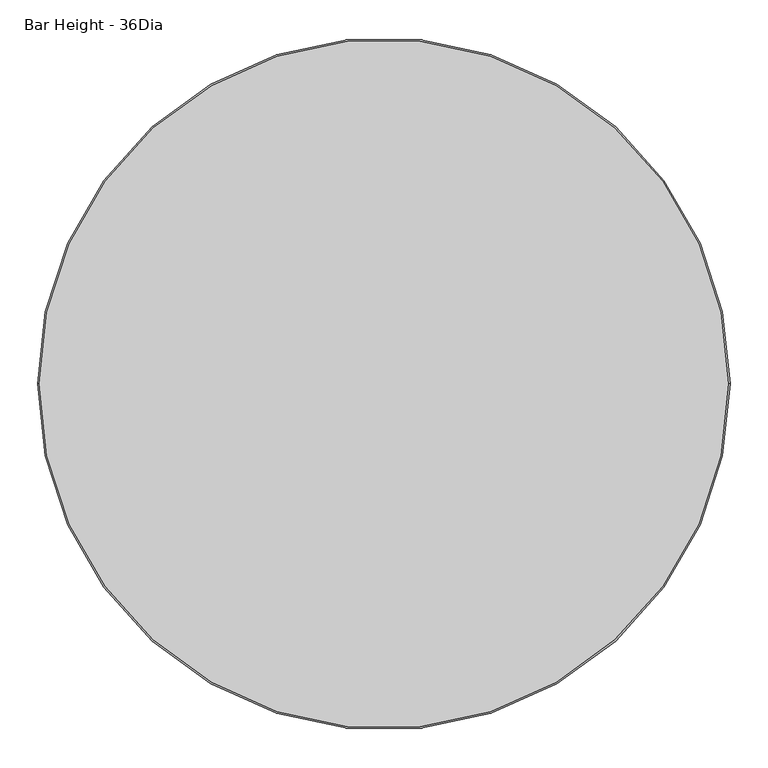
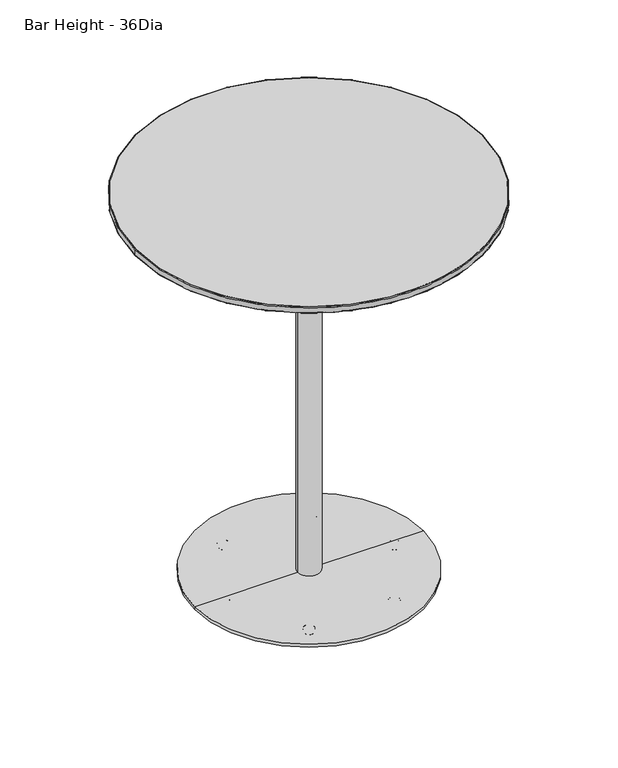
"""IFC4 building model written with IfcOpenShell, lengths in millimetres: furniture geometry, Bar Height - 36Dia."""

from ifc_helpers import new_model, si_unit, point, frame, origin, origin_with_axes, origin_2d, place, context, project, spatial, polyline, circle_curve, ellipse_curve, trimmed, segment, composite_curve, outline, extrude, source, transform, mapped, element, save
from ifc_brep_helpers import plane_surface, cylinder_surface, revolved_surface, advanced_brep


def bar_height_36dia_994a4e56(model_context):
    return source(origin(), model_context, "Body", "SolidModel", [
        advanced_brep(
        [(112.3723043, -195.0325848, 0.0), (119.7149467, -202.3752273, 0.0), (105.0296619, -187.6899424, 0.0), (120.2614489, -202.9217294, 0.5718943), (104.4831597, -187.1434403, 0.5718943), (122.560548, -205.2208285, 11.2068005), (102.1840606, -184.8443412, 11.2068005), (122.1455272, -204.8058077, 11.9999882), (102.5990814, -185.259362, 11.9999882), (112.3723043, -195.0325848, 11.9999882)],
        [
            (0, 1),
            (1, 2, circle_curve(frame((112.3723043, -195.0325848, 0.0), z_axis=(0.0, 0.0, -1.0), x_axis=(0.7071067811865602, -0.7071067811865349, 0.0)), 10.3840645)),
            (2, 0),
            (2, 1, circle_curve(frame((112.3723043, -195.0325848, 0.0), z_axis=(0.0, 0.0, -1.0), x_axis=(0.7071067811865602, -0.7071067811865349, 0.0)), 10.3840645)),
            (1, 3, circle_curve(frame((119.7149467, -202.3752273, 0.8081846), z_axis=(-0.7071067811865349, -0.7071067811865602, 0.0), x_axis=(0.7071067811865602, -0.7071067811865349, 0.0)), 0.8081846)),
            (3, 4, circle_curve(frame((112.3723043, -195.0325848, 0.5718943), z_axis=(0.0, 0.0, -1.0), x_axis=(0.7071067811865602, -0.7071067811865349, 0.0)), 11.1569353)),
            (4, 2, circle_curve(frame((105.0296619, -187.6899424, 0.8081846), z_axis=(-0.7071067811865326, -0.7071067811865626, 0.0), x_axis=(-0.7071067811865626, 0.7071067811865326, 0.0)), 0.8081846)),
            (4, 3, circle_curve(frame((112.3723043, -195.0325848, 0.5718943), z_axis=(0.0, 0.0, -1.0), x_axis=(0.7071067811865602, -0.7071067811865349, 0.0)), 11.1569353)),
            (3, 5),
            (5, 6, circle_curve(frame((112.3723043, -195.0325848, 11.2068005), z_axis=(0.0, 0.0, -1.0), x_axis=(0.7071067811865602, -0.7071067811865349, 0.0)), 14.4083524)),
            (6, 4),
            (6, 5, circle_curve(frame((112.3723043, -195.0325848, 11.2068005), z_axis=(0.0, 0.0, -1.0), x_axis=(0.7071067811865602, -0.7071067811865349, 0.0)), 14.4083524)),
            (5, 7, circle_curve(frame((122.1455272, -204.8058077, 11.3862424), z_axis=(-0.7071067811865349, -0.7071067811865602, 0.0), x_axis=(0.7071067811865602, -0.7071067811865349, 0.0)), 0.6137458)),
            (7, 8, circle_curve(frame((112.3723043, -195.0325848, 11.9999882), z_axis=(0.0, 0.0, -1.0), x_axis=(0.7071067811865602, -0.7071067811865349, 0.0)), 13.8214243)),
            (8, 6, circle_curve(frame((102.5990814, -185.259362, 11.3862424), z_axis=(-0.7071067811865326, -0.7071067811865626, 0.0), x_axis=(-0.7071067811865626, 0.7071067811865326, 0.0)), 0.6137458)),
            (8, 7, circle_curve(frame((112.3723043, -195.0325848, 11.9999882), z_axis=(0.0, 0.0, -1.0), x_axis=(0.7071067811865602, -0.7071067811865349, 0.0)), 13.8214243)),
            (7, 9),
            (9, 8),
        ],
        [
            plane_surface(frame((112.3723043, -195.0325848, 0.0), z_axis=(0.0, 0.0, -1.0000000000000002), x_axis=(0.7071067811865602, -0.7071067811865349, 0.0))),
            revolved_surface(trimmed(ellipse_curve(frame((119.7149467, -202.3752273, 0.8081846), z_axis=(0.7071067811865349, 0.7071067811865602, 0.0), x_axis=(0.7071067811865602, -0.7071067811865349, 0.0)), 0.8081846, 0.8081846), [point((120.2614489, -202.9217294, 0.5718943))], [point((119.7149467, -202.3752273, 0.0))], True, "CARTESIAN"), (112.3723043, -195.0325848, 12.2086845), (0.0, 0.0, -1.0)),
            revolved_surface(polyline([(122.560548, -205.2208285, 11.2068005), (120.2614489, -202.9217294, 0.5718943)]), (112.3723043, -195.0325848, 12.2086845), (0.0, 0.0, -1.0)),
            revolved_surface(trimmed(ellipse_curve(frame((122.1455272, -204.8058077, 11.3862424), z_axis=(0.7071067811865349, 0.7071067811865602, 0.0), x_axis=(0.7071067811865602, -0.7071067811865349, 0.0)), 0.6137458, 0.6137458), [point((122.1455272, -204.8058077, 11.9999882))], [point((122.560548, -205.2208285, 11.2068005))], True, "CARTESIAN"), (112.3723043, -195.0325848, 12.2086845), (0.0, 0.0, -1.0)),
            plane_surface(frame((112.3723043, -195.0325848, 11.9999882), z_axis=(0.0, 0.0, 1.0000000000000002), x_axis=(0.7071067811865602, -0.7071067811865349, 0.0))),
        ],
        [
            (0, [[1, 2, 3]]),
            (0, [[-3, 4, -1]]),
            (1, [[-2, 5, 6, 7]]),
            (1, [[-4, -7, 8, -5]]),
            (2, [[-6, 9, 10, 11]]),
            (2, [[-8, -11, 12, -9]]),
            (3, [[-10, 13, 14, 15]]),
            (3, [[-12, -15, 16, -13]]),
            (4, [[-14, 17, 18]]),
            (4, [[-16, -18, -17]]),
        ],
    ),
        advanced_brep(
        [(-104.9597041, -187.5851027, 0.0), (-119.6449889, -202.2703876, 0.0), (-112.3023465, -194.9277451, 0.0), (-104.4132019, -187.0386006, 0.5718943), (-120.1914911, -202.8168897, 0.5718943), (-102.1141028, -184.7395015, 11.2068005), (-122.4905902, -205.1159888, 11.2068005), (-102.5291236, -185.1545223, 11.9999882), (-122.0755694, -204.700968, 11.9999882), (-112.3023465, -194.9277451, 11.9999882)],
        [
            (0, 1, circle_curve(frame((-112.3023465, -194.9277451, 0.0), z_axis=(0.0, 0.0, -1.0), x_axis=(-0.7071067811865602, -0.7071067811865349, 0.0)), 10.3840645)),
            (1, 2),
            (2, 0),
            (1, 0, circle_curve(frame((-112.3023465, -194.9277451, 0.0), z_axis=(0.0, 0.0, -1.0), x_axis=(-0.7071067811865602, -0.7071067811865349, 0.0)), 10.3840645)),
            (3, 4, circle_curve(frame((-112.3023465, -194.9277451, 0.5718943), z_axis=(0.0, 0.0, -1.0), x_axis=(-0.7071067811865602, -0.7071067811865349, 0.0)), 11.1569353)),
            (4, 1, circle_curve(frame((-119.6449889, -202.2703876, 0.8081846), z_axis=(0.7071067811865349, -0.7071067811865602, 0.0), x_axis=(-0.7071067811865602, -0.7071067811865349, 0.0)), 0.8081846)),
            (0, 3, circle_curve(frame((-104.9597041, -187.5851027, 0.8081846), z_axis=(0.7071067811865326, -0.7071067811865626, 0.0), x_axis=(0.7071067811865626, 0.7071067811865326, 0.0)), 0.8081846)),
            (4, 3, circle_curve(frame((-112.3023465, -194.9277451, 0.5718943), z_axis=(0.0, 0.0, -1.0), x_axis=(-0.7071067811865602, -0.7071067811865349, 0.0)), 11.1569353)),
            (5, 6, circle_curve(frame((-112.3023465, -194.9277451, 11.2068005), z_axis=(0.0, 0.0, -1.0), x_axis=(-0.7071067811865602, -0.7071067811865349, 0.0)), 14.4083524)),
            (6, 4),
            (3, 5),
            (6, 5, circle_curve(frame((-112.3023465, -194.9277451, 11.2068005), z_axis=(0.0, 0.0, -1.0), x_axis=(-0.7071067811865602, -0.7071067811865349, 0.0)), 14.4083524)),
            (7, 8, circle_curve(frame((-112.3023465, -194.9277451, 11.9999882), z_axis=(0.0, 0.0, -1.0), x_axis=(-0.7071067811865602, -0.7071067811865349, 0.0)), 13.8214243)),
            (8, 6, circle_curve(frame((-122.0755694, -204.700968, 11.3862424), z_axis=(0.7071067811865349, -0.7071067811865602, 0.0), x_axis=(-0.7071067811865602, -0.7071067811865349, 0.0)), 0.6137458)),
            (5, 7, circle_curve(frame((-102.5291236, -185.1545223, 11.3862424), z_axis=(0.7071067811865326, -0.7071067811865626, 0.0), x_axis=(0.7071067811865626, 0.7071067811865326, 0.0)), 0.6137458)),
            (8, 7, circle_curve(frame((-112.3023465, -194.9277451, 11.9999882), z_axis=(0.0, 0.0, -1.0), x_axis=(-0.7071067811865602, -0.7071067811865349, 0.0)), 13.8214243)),
            (9, 8),
            (7, 9),
        ],
        [
            plane_surface(frame((-112.3023465, -194.9277451, 0.0), z_axis=(0.0, 0.0, -1.0000000000000002), x_axis=(-0.7071067811865602, -0.7071067811865349, 0.0))),
            revolved_surface(trimmed(ellipse_curve(frame((-119.6449889, -202.2703876, 0.8081846), z_axis=(-0.7071067811865349, 0.7071067811865602, 0.0), x_axis=(-0.7071067811865602, -0.7071067811865349, 0.0)), 0.8081846, 0.8081846), [point((-119.6449889, -202.2703876, 0.0))], [point((-120.1914911, -202.8168897, 0.5718943))], True, "CARTESIAN"), (-112.3023465, -194.9277451, 12.2086845), (0.0, 0.0, 1.0)),
            revolved_surface(polyline([(-120.1914911, -202.8168897, 0.5718943), (-122.4905902, -205.1159888, 11.2068005)]), (-112.3023465, -194.9277451, 12.2086845), (0.0, 0.0, 1.0)),
            revolved_surface(trimmed(ellipse_curve(frame((-122.0755694, -204.700968, 11.3862424), z_axis=(-0.7071067811865349, 0.7071067811865602, 0.0), x_axis=(-0.7071067811865602, -0.7071067811865349, 0.0)), 0.6137458, 0.6137458), [point((-122.4905902, -205.1159888, 11.2068005))], [point((-122.0755694, -204.700968, 11.9999882))], True, "CARTESIAN"), (-112.3023465, -194.9277451, 12.2086845), (0.0, 0.0, 1.0)),
            plane_surface(frame((-112.3023465, -194.9277451, 11.9999882), z_axis=(0.0, 0.0, 1.0000000000000002), x_axis=(-0.7071067811865602, -0.7071067811865349, 0.0))),
        ],
        [
            (0, [[1, 2, 3]]),
            (0, [[4, -3, -2]]),
            (1, [[5, 6, -1, 7]]),
            (1, [[8, -7, -4, -6]]),
            (2, [[9, 10, -5, 11]]),
            (2, [[12, -11, -8, -10]]),
            (3, [[13, 14, -9, 15]]),
            (3, [[16, -15, -12, -14]]),
            (4, [[17, -13, 18]]),
            (4, [[-18, -16, -17]]),
        ],
    ),
        advanced_brep(
        [(-112.055175, -184.4898776, 0.0), (-112.055175, -205.2580066, 0.0), (-112.055175, -194.8739421, 0.0), (-112.055175, -183.7170068, 0.5718943), (-112.055175, -206.0308773, 0.5718943), (-112.055175, -180.4655897, 11.2068005), (-112.055175, -209.2822944, 11.2068005), (-112.055175, -181.0525177, 11.9999882), (-112.055175, -208.6953664, 11.9999882), (-112.055175, -194.8739421, 11.9999882)],
        [
            (0, 1, circle_curve(frame((-112.055175, -194.8739421, 0.0), z_axis=(0.0, 0.0, -1.0), x_axis=(0.0, -1.0, 0.0)), 10.3840645)),
            (1, 2),
            (2, 0),
            (1, 0, circle_curve(frame((-112.055175, -194.8739421, 0.0), z_axis=(0.0, 0.0, -1.0), x_axis=(0.0, -1.0, 0.0)), 10.3840645)),
            (3, 4, circle_curve(frame((-112.055175, -194.8739421, 0.5718943), z_axis=(0.0, 0.0, -1.0), x_axis=(0.0, -1.0, 0.0)), 11.1569353)),
            (4, 1, circle_curve(frame((-112.055175, -205.2580066, 0.8081846), z_axis=(1.0, 0.0, 0.0), x_axis=(0.0, -1.0, 0.0)), 0.8081846)),
            (0, 3, circle_curve(frame((-112.055175, -184.4898776, 0.8081846), z_axis=(1.0, 0.0, 0.0), x_axis=(0.0, 1.0, 0.0)), 0.8081846)),
            (4, 3, circle_curve(frame((-112.055175, -194.8739421, 0.5718943), z_axis=(0.0, 0.0, -1.0), x_axis=(0.0, -1.0, 0.0)), 11.1569353)),
            (5, 6, circle_curve(frame((-112.055175, -194.8739421, 11.2068005), z_axis=(0.0, 0.0, -1.0), x_axis=(0.0, -1.0, 0.0)), 14.4083524)),
            (6, 4),
            (3, 5),
            (6, 5, circle_curve(frame((-112.055175, -194.8739421, 11.2068005), z_axis=(0.0, 0.0, -1.0), x_axis=(0.0, -1.0, 0.0)), 14.4083524)),
            (7, 8, circle_curve(frame((-112.055175, -194.8739421, 11.9999882), z_axis=(0.0, 0.0, -1.0), x_axis=(0.0, -1.0, 0.0)), 13.8214243)),
            (8, 6, circle_curve(frame((-112.055175, -208.6953664, 11.3862424), z_axis=(1.0, 0.0, 0.0), x_axis=(0.0, -1.0, 0.0)), 0.6137458)),
            (5, 7, circle_curve(frame((-112.055175, -181.0525177, 11.3862424), z_axis=(1.0, 0.0, 0.0), x_axis=(0.0, 1.0, 0.0)), 0.6137458)),
            (8, 7, circle_curve(frame((-112.055175, -194.8739421, 11.9999882), z_axis=(0.0, 0.0, -1.0), x_axis=(0.0, -1.0, 0.0)), 13.8214243)),
            (9, 8),
            (7, 9),
        ],
        [
            plane_surface(frame((-112.055175, -194.8739421, 0.0), z_axis=(0.0, 0.0, -1.0), x_axis=(0.0, -1.0, 0.0))),
            revolved_surface(trimmed(ellipse_curve(frame((-112.055175, -205.2580066, 0.8081846), z_axis=(-1.0, 0.0, 0.0), x_axis=(0.0, -1.0, 0.0)), 0.8081846, 0.8081846), [point((-112.055175, -205.2580066, 0.0))], [point((-112.055175, -206.0308773, 0.5718943))], True, "CARTESIAN"), (-112.055175, -194.8739421, 12.2086845), (0.0, 0.0, 1.0)),
            revolved_surface(polyline([(-112.055175, -206.0308773, 0.5718943), (-112.055175, -209.2822944, 11.2068005)]), (-112.055175, -194.8739421, 12.2086845), (0.0, 0.0, 1.0)),
            revolved_surface(trimmed(ellipse_curve(frame((-112.055175, -208.6953664, 11.3862424), z_axis=(-1.0, 0.0, 0.0), x_axis=(0.0, -1.0, 0.0)), 0.6137458, 0.6137458), [point((-112.055175, -209.2822944, 11.2068005))], [point((-112.055175, -208.6953664, 11.9999882))], True, "CARTESIAN"), (-112.055175, -194.8739421, 12.2086845), (0.0, 0.0, 1.0)),
            plane_surface(frame((-112.055175, -194.8739421, 11.9999882), z_axis=(0.0, 0.0, 1.0), x_axis=(0.0, -1.0, 0.0))),
        ],
        [
            (0, [[1, 2, 3]]),
            (0, [[4, -3, -2]]),
            (1, [[5, 6, -1, 7]]),
            (1, [[8, -7, -4, -6]]),
            (2, [[9, 10, -5, 11]]),
            (2, [[12, -11, -8, -10]]),
            (3, [[13, 14, -9, 15]]),
            (3, [[16, -15, -12, -14]]),
            (4, [[17, -13, 18]]),
            (4, [[-18, -16, -17]]),
        ],
    ),
        advanced_brep(
        [(214.9060746, 0.0, 0.0), (235.6742036, 0.0, 0.0), (225.2901391, 0.0, 0.0), (214.1332039, 0.0, 0.5718943), (236.4470744, 0.0, 0.5718943), (210.8817867, 0.0, 11.2068005), (239.6984915, 0.0, 11.2068005), (211.4687148, 0.0, 11.9999882), (239.1115635, 0.0, 11.9999882), (225.2901391, 0.0, 11.9999882)],
        [
            (0, 1, circle_curve(frame((225.2901391, 0.0, 0.0), z_axis=(0.0, 0.0, -1.0), x_axis=(1.0, 0.0, 0.0)), 10.3840645)),
            (1, 2),
            (2, 0),
            (1, 0, circle_curve(frame((225.2901391, 0.0, 0.0), z_axis=(0.0, 0.0, -1.0), x_axis=(1.0, 0.0, 0.0)), 10.3840645)),
            (3, 4, circle_curve(frame((225.2901391, 0.0, 0.5718943), z_axis=(0.0, 0.0, -1.0), x_axis=(1.0, 0.0, 0.0)), 11.1569353)),
            (4, 1, circle_curve(frame((235.6742036, 0.0, 0.8081846), z_axis=(0.0, 1.0, 0.0), x_axis=(1.0, 0.0, 0.0)), 0.8081846)),
            (0, 3, circle_curve(frame((214.9060746, 0.0, 0.8081846), z_axis=(0.0, 1.0, 0.0), x_axis=(-1.0, 0.0, 0.0)), 0.8081846)),
            (4, 3, circle_curve(frame((225.2901391, 0.0, 0.5718943), z_axis=(0.0, 0.0, -1.0), x_axis=(1.0, 0.0, 0.0)), 11.1569353)),
            (5, 6, circle_curve(frame((225.2901391, 0.0, 11.2068005), z_axis=(0.0, 0.0, -1.0), x_axis=(1.0, 0.0, 0.0)), 14.4083524)),
            (6, 4),
            (3, 5),
            (6, 5, circle_curve(frame((225.2901391, 0.0, 11.2068005), z_axis=(0.0, 0.0, -1.0), x_axis=(1.0, 0.0, 0.0)), 14.4083524)),
            (7, 8, circle_curve(frame((225.2901391, 0.0, 11.9999882), z_axis=(0.0, 0.0, -1.0), x_axis=(1.0, 0.0, 0.0)), 13.8214243)),
            (8, 6, circle_curve(frame((239.1115635, 0.0, 11.3862424), z_axis=(0.0, 1.0, 0.0), x_axis=(1.0, 0.0, 0.0)), 0.6137458)),
            (5, 7, circle_curve(frame((211.4687148, 0.0, 11.3862424), z_axis=(0.0, 1.0, 0.0), x_axis=(-1.0, 0.0, 0.0)), 0.6137458)),
            (8, 7, circle_curve(frame((225.2901391, 0.0, 11.9999882), z_axis=(0.0, 0.0, -1.0), x_axis=(1.0, 0.0, 0.0)), 13.8214243)),
            (9, 8),
            (7, 9),
        ],
        [
            plane_surface(frame((225.2901391, 0.0, 0.0), z_axis=(0.0, 0.0, -1.0), x_axis=(1.0, 0.0, 0.0))),
            revolved_surface(trimmed(ellipse_curve(frame((235.6742036, 0.0, 0.8081846), z_axis=(0.0, -1.0, 0.0), x_axis=(1.0, 0.0, 0.0)), 0.8081846, 0.8081846), [point((235.6742036, 0.0, 0.0))], [point((236.4470744, 0.0, 0.5718943))], True, "CARTESIAN"), (225.2901391, 0.0, 12.2086845), (0.0, 0.0, 1.0)),
            revolved_surface(polyline([(236.4470744, 0.0, 0.5718943), (239.6984915, 0.0, 11.2068005)]), (225.2901391, 0.0, 12.2086845), (0.0, 0.0, 1.0)),
            revolved_surface(trimmed(ellipse_curve(frame((239.1115635, 0.0, 11.3862424), z_axis=(0.0, -1.0, 0.0), x_axis=(1.0, 0.0, 0.0)), 0.6137458, 0.6137458), [point((239.6984915, 0.0, 11.2068005))], [point((239.1115635, 0.0, 11.9999882))], True, "CARTESIAN"), (225.2901391, 0.0, 12.2086845), (0.0, 0.0, 1.0)),
            plane_surface(frame((225.2901391, 0.0, 11.9999882), z_axis=(0.0, 0.0, 1.0), x_axis=(1.0, 0.0, 0.0))),
        ],
        [
            (0, [[1, 2, 3]]),
            (0, [[4, -3, -2]]),
            (1, [[5, 6, -1, 7]]),
            (1, [[8, -7, -4, -6]]),
            (2, [[9, 10, -5, 11]]),
            (2, [[12, -11, -8, -10]]),
            (3, [[13, 14, -9, 15]]),
            (3, [[16, -15, -12, -14]]),
            (4, [[17, -13, 18]]),
            (4, [[-18, -16, -17]]),
        ],
    ),
        advanced_brep(
        [(102.9986415, 175.7657839, 0.0), (117.6839264, 190.4510688, 0.0), (110.341284, 183.1084263, 0.0), (102.4521394, 175.2192818, 0.5718943), (118.2304285, 190.9975709, 0.5718943), (100.1530403, 172.9201827, 11.2068005), (120.5295276, 193.29667, 11.2068005), (100.5680611, 173.3352035, 11.9999882), (120.1145068, 192.8816492, 11.9999882), (110.341284, 183.1084263, 11.9999882)],
        [
            (0, 1, circle_curve(frame((110.341284, 183.1084263, 0.0), z_axis=(0.0, 0.0, -1.0), x_axis=(0.7071067811865602, 0.7071067811865349, 0.0)), 10.3840645)),
            (1, 2),
            (2, 0),
            (1, 0, circle_curve(frame((110.341284, 183.1084263, 0.0), z_axis=(0.0, 0.0, -1.0), x_axis=(0.7071067811865602, 0.7071067811865349, 0.0)), 10.3840645)),
            (3, 4, circle_curve(frame((110.341284, 183.1084263, 0.5718943), z_axis=(0.0, 0.0, -1.0), x_axis=(0.7071067811865602, 0.7071067811865349, 0.0)), 11.1569353)),
            (4, 1, circle_curve(frame((117.6839264, 190.4510688, 0.8081846), z_axis=(-0.7071067811865349, 0.7071067811865602, 0.0), x_axis=(0.7071067811865602, 0.7071067811865349, 0.0)), 0.8081846)),
            (0, 3, circle_curve(frame((102.9986415, 175.7657839, 0.8081846), z_axis=(-0.7071067811865326, 0.7071067811865626, 0.0), x_axis=(-0.7071067811865626, -0.7071067811865326, 0.0)), 0.8081846)),
            (4, 3, circle_curve(frame((110.341284, 183.1084263, 0.5718943), z_axis=(0.0, 0.0, -1.0), x_axis=(0.7071067811865602, 0.7071067811865349, 0.0)), 11.1569353)),
            (5, 6, circle_curve(frame((110.341284, 183.1084263, 11.2068005), z_axis=(0.0, 0.0, -1.0), x_axis=(0.7071067811865602, 0.7071067811865349, 0.0)), 14.4083524)),
            (6, 4),
            (3, 5),
            (6, 5, circle_curve(frame((110.341284, 183.1084263, 11.2068005), z_axis=(0.0, 0.0, -1.0), x_axis=(0.7071067811865602, 0.7071067811865349, 0.0)), 14.4083524)),
            (7, 8, circle_curve(frame((110.341284, 183.1084263, 11.9999882), z_axis=(0.0, 0.0, -1.0), x_axis=(0.7071067811865602, 0.7071067811865349, 0.0)), 13.8214243)),
            (8, 6, circle_curve(frame((120.1145068, 192.8816492, 11.3862424), z_axis=(-0.7071067811865349, 0.7071067811865602, 0.0), x_axis=(0.7071067811865602, 0.7071067811865349, 0.0)), 0.6137458)),
            (5, 7, circle_curve(frame((100.5680611, 173.3352035, 11.3862424), z_axis=(-0.7071067811865326, 0.7071067811865626, 0.0), x_axis=(-0.7071067811865626, -0.7071067811865326, 0.0)), 0.6137458)),
            (8, 7, circle_curve(frame((110.341284, 183.1084263, 11.9999882), z_axis=(0.0, 0.0, -1.0), x_axis=(0.7071067811865602, 0.7071067811865349, 0.0)), 13.8214243)),
            (9, 8),
            (7, 9),
        ],
        [
            plane_surface(frame((110.341284, 183.1084263, 0.0), z_axis=(0.0, 0.0, -1.0000000000000002), x_axis=(0.7071067811865602, 0.7071067811865349, 0.0))),
            revolved_surface(trimmed(ellipse_curve(frame((117.6839264, 190.4510688, 0.8081846), z_axis=(0.7071067811865349, -0.7071067811865602, 0.0), x_axis=(0.7071067811865602, 0.7071067811865349, 0.0)), 0.8081846, 0.8081846), [point((117.6839264, 190.4510688, 0.0))], [point((118.2304285, 190.9975709, 0.5718943))], True, "CARTESIAN"), (110.341284, 183.1084263, 12.2086845), (0.0, 0.0, 1.0)),
            revolved_surface(polyline([(118.2304285, 190.9975709, 0.5718943), (120.5295276, 193.29667, 11.2068005)]), (110.341284, 183.1084263, 12.2086845), (0.0, 0.0, 1.0)),
            revolved_surface(trimmed(ellipse_curve(frame((120.1145068, 192.8816492, 11.3862424), z_axis=(0.7071067811865349, -0.7071067811865602, 0.0), x_axis=(0.7071067811865602, 0.7071067811865349, 0.0)), 0.6137458, 0.6137458), [point((120.5295276, 193.29667, 11.2068005))], [point((120.1145068, 192.8816492, 11.9999882))], True, "CARTESIAN"), (110.341284, 183.1084263, 12.2086845), (0.0, 0.0, 1.0)),
            plane_surface(frame((110.341284, 183.1084263, 11.9999882), z_axis=(0.0, 0.0, 1.0000000000000002), x_axis=(0.7071067811865602, 0.7071067811865349, 0.0))),
        ],
        [
            (0, [[1, 2, 3]]),
            (0, [[4, -3, -2]]),
            (1, [[5, 6, -1, 7]]),
            (1, [[8, -7, -4, -6]]),
            (2, [[9, 10, -5, 11]]),
            (2, [[12, -11, -8, -10]]),
            (3, [[13, 14, -9, 15]]),
            (3, [[16, -15, -12, -14]]),
            (4, [[17, -13, 18]]),
            (4, [[-18, -16, -17]]),
        ],
    ),
        advanced_brep(
        [(-112.5027991, 194.9473484, 0.0), (-119.8454415, 202.2899909, 0.0), (-105.1601566, 187.604706, 0.0), (-120.3919436, 202.836493, 0.5718943), (-104.6136545, 187.0582039, 0.5718943), (-122.6910427, 205.1355921, 11.2068005), (-102.3145554, 184.7591048, 11.2068005), (-122.2760219, 204.7205713, 11.9999882), (-102.7295762, 185.1741256, 11.9999882), (-112.5027991, 194.9473484, 11.9999882)],
        [
            (0, 1),
            (1, 2, circle_curve(frame((-112.5027991, 194.9473484, 0.0), z_axis=(0.0, 0.0, -1.0), x_axis=(-0.7071067811865602, 0.7071067811865349, 0.0)), 10.3840645)),
            (2, 0),
            (2, 1, circle_curve(frame((-112.5027991, 194.9473484, 0.0), z_axis=(0.0, 0.0, -1.0), x_axis=(-0.7071067811865602, 0.7071067811865349, 0.0)), 10.3840645)),
            (1, 3, circle_curve(frame((-119.8454415, 202.2899909, 0.8081846), z_axis=(0.7071067811865349, 0.7071067811865602, 0.0), x_axis=(-0.7071067811865602, 0.7071067811865349, 0.0)), 0.8081846)),
            (3, 4, circle_curve(frame((-112.5027991, 194.9473484, 0.5718943), z_axis=(0.0, 0.0, -1.0), x_axis=(-0.7071067811865602, 0.7071067811865349, 0.0)), 11.1569353)),
            (4, 2, circle_curve(frame((-105.1601566, 187.604706, 0.8081846), z_axis=(0.7071067811865326, 0.7071067811865626, 0.0), x_axis=(0.7071067811865626, -0.7071067811865326, 0.0)), 0.8081846)),
            (4, 3, circle_curve(frame((-112.5027991, 194.9473484, 0.5718943), z_axis=(0.0, 0.0, -1.0), x_axis=(-0.7071067811865602, 0.7071067811865349, 0.0)), 11.1569353)),
            (3, 5),
            (5, 6, circle_curve(frame((-112.5027991, 194.9473484, 11.2068005), z_axis=(0.0, 0.0, -1.0), x_axis=(-0.7071067811865602, 0.7071067811865349, 0.0)), 14.4083524)),
            (6, 4),
            (6, 5, circle_curve(frame((-112.5027991, 194.9473484, 11.2068005), z_axis=(0.0, 0.0, -1.0), x_axis=(-0.7071067811865602, 0.7071067811865349, 0.0)), 14.4083524)),
            (5, 7, circle_curve(frame((-122.2760219, 204.7205713, 11.3862424), z_axis=(0.7071067811865349, 0.7071067811865602, 0.0), x_axis=(-0.7071067811865602, 0.7071067811865349, 0.0)), 0.6137458)),
            (7, 8, circle_curve(frame((-112.5027991, 194.9473484, 11.9999882), z_axis=(0.0, 0.0, -1.0), x_axis=(-0.7071067811865602, 0.7071067811865349, 0.0)), 13.8214243)),
            (8, 6, circle_curve(frame((-102.7295762, 185.1741256, 11.3862424), z_axis=(0.7071067811865326, 0.7071067811865626, 0.0), x_axis=(0.7071067811865626, -0.7071067811865326, 0.0)), 0.6137458)),
            (8, 7, circle_curve(frame((-112.5027991, 194.9473484, 11.9999882), z_axis=(0.0, 0.0, -1.0), x_axis=(-0.7071067811865602, 0.7071067811865349, 0.0)), 13.8214243)),
            (7, 9),
            (9, 8),
        ],
        [
            plane_surface(frame((-112.5027991, 194.9473484, 0.0), z_axis=(0.0, 0.0, -1.0000000000000002), x_axis=(-0.7071067811865602, 0.7071067811865349, 0.0))),
            revolved_surface(trimmed(ellipse_curve(frame((-119.8454415, 202.2899909, 0.8081846), z_axis=(-0.7071067811865349, -0.7071067811865602, 0.0), x_axis=(-0.7071067811865602, 0.7071067811865349, 0.0)), 0.8081846, 0.8081846), [point((-120.3919436, 202.836493, 0.5718943))], [point((-119.8454415, 202.2899909, 0.0))], True, "CARTESIAN"), (-112.5027991, 194.9473484, 12.2086845), (0.0, 0.0, -1.0)),
            revolved_surface(polyline([(-122.6910427, 205.1355921, 11.2068005), (-120.3919436, 202.836493, 0.5718943)]), (-112.5027991, 194.9473484, 12.2086845), (0.0, 0.0, -1.0)),
            revolved_surface(trimmed(ellipse_curve(frame((-122.2760219, 204.7205713, 11.3862424), z_axis=(-0.7071067811865349, -0.7071067811865602, 0.0), x_axis=(-0.7071067811865602, 0.7071067811865349, 0.0)), 0.6137458, 0.6137458), [point((-122.2760219, 204.7205713, 11.9999882))], [point((-122.6910427, 205.1355921, 11.2068005))], True, "CARTESIAN"), (-112.5027991, 194.9473484, 12.2086845), (0.0, 0.0, -1.0)),
            plane_surface(frame((-112.5027991, 194.9473484, 11.9999882), z_axis=(0.0, 0.0, 1.0000000000000002), x_axis=(-0.7071067811865602, 0.7071067811865349, 0.0))),
        ],
        [
            (0, [[1, 2, 3]]),
            (0, [[-3, 4, -1]]),
            (1, [[-2, 5, 6, 7]]),
            (1, [[-4, -7, 8, -5]]),
            (2, [[-6, 9, 10, 11]]),
            (2, [[-8, -11, 12, -9]]),
            (3, [[-10, 13, 14, 15]]),
            (3, [[-12, -15, 16, -13]]),
            (4, [[-14, 17, 18]]),
            (4, [[-16, -18, -17]]),
        ],
    ),
        advanced_brep(
        [(-225.0355893, 0.0, 0.0), (-235.4196538, 0.0, 0.0), (-214.6515248, 0.0, 0.0), (-236.1925246, 0.0, 0.5718943), (-213.8786541, 0.0, 0.5718943), (-239.4439417, 0.0, 11.2068005), (-210.6272369, 0.0, 11.2068005), (-238.8570136, 0.0, 11.9999882), (-211.214165, 0.0, 11.9999882), (-225.0355893, 0.0, 11.9999882)],
        [
            (0, 1),
            (1, 2, circle_curve(frame((-225.0355893, 0.0, 0.0), z_axis=(0.0, 0.0, -1.0), x_axis=(-1.0, 0.0, 0.0)), 10.3840645)),
            (2, 0),
            (2, 1, circle_curve(frame((-225.0355893, 0.0, 0.0), z_axis=(0.0, 0.0, -1.0), x_axis=(-1.0, 0.0, 0.0)), 10.3840645)),
            (1, 3, circle_curve(frame((-235.4196538, 0.0, 0.8081846), z_axis=(0.0, 1.0, 0.0), x_axis=(-1.0, 0.0, 0.0)), 0.8081846)),
            (3, 4, circle_curve(frame((-225.0355893, 0.0, 0.5718943), z_axis=(0.0, 0.0, -1.0), x_axis=(-1.0, 0.0, 0.0)), 11.1569353)),
            (4, 2, circle_curve(frame((-214.6515248, 0.0, 0.8081846), z_axis=(0.0, 1.0, 0.0), x_axis=(1.0, 0.0, 0.0)), 0.8081846)),
            (4, 3, circle_curve(frame((-225.0355893, 0.0, 0.5718943), z_axis=(0.0, 0.0, -1.0), x_axis=(-1.0, 0.0, 0.0)), 11.1569353)),
            (3, 5),
            (5, 6, circle_curve(frame((-225.0355893, 0.0, 11.2068005), z_axis=(0.0, 0.0, -1.0), x_axis=(-1.0, 0.0, 0.0)), 14.4083524)),
            (6, 4),
            (6, 5, circle_curve(frame((-225.0355893, 0.0, 11.2068005), z_axis=(0.0, 0.0, -1.0), x_axis=(-1.0, 0.0, 0.0)), 14.4083524)),
            (5, 7, circle_curve(frame((-238.8570136, 0.0, 11.3862424), z_axis=(0.0, 1.0, 0.0), x_axis=(-1.0, 0.0, 0.0)), 0.6137458)),
            (7, 8, circle_curve(frame((-225.0355893, 0.0, 11.9999882), z_axis=(0.0, 0.0, -1.0), x_axis=(-1.0, 0.0, 0.0)), 13.8214243)),
            (8, 6, circle_curve(frame((-211.214165, 0.0, 11.3862424), z_axis=(0.0, 1.0, 0.0), x_axis=(1.0, 0.0, 0.0)), 0.6137458)),
            (8, 7, circle_curve(frame((-225.0355893, 0.0, 11.9999882), z_axis=(0.0, 0.0, -1.0), x_axis=(-1.0, 0.0, 0.0)), 13.8214243)),
            (7, 9),
            (9, 8),
        ],
        [
            plane_surface(frame((-225.0355893, 0.0, 0.0), z_axis=(0.0, 0.0, -1.0), x_axis=(-1.0, 0.0, 0.0))),
            revolved_surface(trimmed(ellipse_curve(frame((-235.4196538, 0.0, 0.8081846), z_axis=(0.0, -1.0, 0.0), x_axis=(-1.0, 0.0, 0.0)), 0.8081846, 0.8081846), [point((-236.1925246, 0.0, 0.5718943))], [point((-235.4196538, 0.0, 0.0))], True, "CARTESIAN"), (-225.0355893, 0.0, 12.2086845), (0.0, 0.0, -1.0)),
            revolved_surface(polyline([(-239.4439417, 0.0, 11.2068005), (-236.1925246, 0.0, 0.5718943)]), (-225.0355893, 0.0, 12.2086845), (0.0, 0.0, -1.0)),
            revolved_surface(trimmed(ellipse_curve(frame((-238.8570136, 0.0, 11.3862424), z_axis=(0.0, -1.0, 0.0), x_axis=(-1.0, 0.0, 0.0)), 0.6137458, 0.6137458), [point((-238.8570136, 0.0, 11.9999882))], [point((-239.4439417, 0.0, 11.2068005))], True, "CARTESIAN"), (-225.0355893, 0.0, 12.2086845), (0.0, 0.0, -1.0)),
            plane_surface(frame((-225.0355893, 0.0, 11.9999882), z_axis=(0.0, 0.0, 1.0), x_axis=(-1.0, 0.0, 0.0))),
        ],
        [
            (0, [[1, 2, 3]]),
            (0, [[-3, 4, -1]]),
            (1, [[-2, 5, 6, 7]]),
            (1, [[-4, -7, 8, -5]]),
            (2, [[-6, 9, 10, 11]]),
            (2, [[-8, -11, 12, -9]]),
            (3, [[-10, 13, 14, 15]]),
            (3, [[-12, -15, 16, -13]]),
            (4, [[-14, 17, 18]]),
            (4, [[-16, -18, -17]]),
        ],
    ),
        advanced_brep(
        [(131.5995255, 0.0, 1033.655027), (-131.5995255, 0.0, 1033.655027), (-176.076473, 0.0, 1033.655027), (176.076473, 0.0, 1033.655027), (38.8356016, 0.0, 1017.0899529), (-38.8356016, 0.0, 1017.0899529), (-47.6092868, 0.0, 1017.0899529), (47.6092868, 0.0, 1017.0899529), (29.5495828, 0.0, 19.9999965), (-29.5495828, 0.0, 19.9999965), (-29.5495828, 0.0, 1029.6852036), (29.5495828, 0.0, 1029.6852036), (301.0967005, 0.0, 19.9999965), (-301.0967005, 0.0, 19.9999965), (301.0967005, 0.0, 11.9999882), (-301.0967005, 0.0, 11.9999882), (0.0, 0.0, 11.9999882), (176.076473, 0.0, 1036.830027), (-176.076473, 0.0, 1036.830027), (0.0, 0.0, 1036.830027), (32.5573587, 0.0, 1019.3383874), (-32.5573587, 0.0, 1019.3383874), (30.918584, 0.0, 1029.6852036), (-30.918584, 0.0, 1029.6852036)],
        [
            (0, 1, circle_curve(frame((0.0, 0.0, 1033.655027), z_axis=(0.0, 0.0, 1.0), x_axis=(-1.0, 0.0, 0.0)), 131.5995255)),
            (1, 2),
            (2, 3, circle_curve(frame((0.0, 0.0, 1033.655027), z_axis=(0.0, 0.0, -1.0), x_axis=(-1.0, 0.0, 0.0)), 176.076473)),
            (3, 0),
            (1, 0, circle_curve(frame((0.0, 0.0, 1033.655027), z_axis=(0.0, 0.0, 1.0), x_axis=(-1.0, 0.0, 0.0)), 131.5995255)),
            (3, 2, circle_curve(frame((0.0, 0.0, 1033.655027), z_axis=(0.0, 0.0, -1.0), x_axis=(-1.0, 0.0, 0.0)), 176.076473)),
            (4, 5, circle_curve(frame((0.0, 0.0, 1017.0899529), z_axis=(0.0, 0.0, 1.0), x_axis=(-1.0, 0.0, 0.0)), 38.8356016)),
            (5, 6),
            (6, 7, circle_curve(frame((0.0, 0.0, 1017.0899529), z_axis=(0.0, 0.0, -1.0), x_axis=(-1.0, 0.0, 0.0)), 47.6092868)),
            (7, 4),
            (5, 4, circle_curve(frame((0.0, 0.0, 1017.0899529), z_axis=(0.0, 0.0, 1.0), x_axis=(-1.0, 0.0, 0.0)), 38.8356016)),
            (7, 6, circle_curve(frame((0.0, 0.0, 1017.0899529), z_axis=(0.0, 0.0, -1.0), x_axis=(-1.0, 0.0, 0.0)), 47.6092868)),
            (8, 9, circle_curve(frame((0.0, 0.0, 19.9999965), z_axis=(0.0, 0.0, 1.0), x_axis=(-1.0, 0.0, 0.0)), 29.5495828)),
            (9, 10),
            (10, 11, circle_curve(frame((0.0, 0.0, 1029.6852036), z_axis=(0.0, 0.0, -1.0), x_axis=(-1.0, 0.0, 0.0)), 29.5495828)),
            (11, 8),
            (9, 8, circle_curve(frame((0.0, 0.0, 19.9999965), z_axis=(0.0, 0.0, 1.0), x_axis=(-1.0, 0.0, 0.0)), 29.5495828)),
            (11, 10, circle_curve(frame((0.0, 0.0, 1029.6852036), z_axis=(0.0, 0.0, -1.0), x_axis=(-1.0, 0.0, 0.0)), 29.5495828)),
            (12, 13, circle_curve(frame((0.0, 0.0, 19.9999965), z_axis=(0.0, 0.0, 1.0), x_axis=(-1.0, 0.0, 0.0)), 301.0967005)),
            (13, 9),
            (8, 12),
            (13, 12, circle_curve(frame((0.0, 0.0, 19.9999965), z_axis=(0.0, 0.0, 1.0), x_axis=(-1.0, 0.0, 0.0)), 301.0967005)),
            (14, 15, circle_curve(frame((0.0, 0.0, 11.9999882), z_axis=(0.0, 0.0, 1.0), x_axis=(-1.0, 0.0, 0.0)), 301.0967005)),
            (15, 13),
            (12, 14),
            (15, 14, circle_curve(frame((0.0, 0.0, 11.9999882), z_axis=(0.0, 0.0, 1.0), x_axis=(-1.0, 0.0, 0.0)), 301.0967005)),
            (16, 15),
            (14, 16),
            (17, 18, circle_curve(frame((0.0, 0.0, 1036.830027), z_axis=(0.0, 0.0, 1.0), x_axis=(-1.0, 0.0, 0.0)), 176.076473)),
            (18, 19),
            (19, 17),
            (18, 17, circle_curve(frame((0.0, 0.0, 1036.830027), z_axis=(0.0, 0.0, 1.0), x_axis=(-1.0, 0.0, 0.0)), 176.076473)),
            (2, 18),
            (17, 3),
            (20, 21, circle_curve(frame((0.0, 0.0, 1019.3383874), z_axis=(0.0, 0.0, 1.0), x_axis=(-1.0, 0.0, 0.0)), 32.5573587)),
            (21, 5),
            (4, 20),
            (21, 20, circle_curve(frame((0.0, 0.0, 1019.3383874), z_axis=(0.0, 0.0, 1.0), x_axis=(-1.0, 0.0, 0.0)), 32.5573587)),
            (22, 23, circle_curve(frame((0.0, 0.0, 1029.6852036), z_axis=(0.0, 0.0, 1.0), x_axis=(-1.0, 0.0, 0.0)), 30.918584)),
            (23, 21),
            (20, 22),
            (23, 22, circle_curve(frame((0.0, 0.0, 1029.6852036), z_axis=(0.0, 0.0, 1.0), x_axis=(-1.0, 0.0, 0.0)), 30.918584)),
            (10, 23),
            (22, 11),
            (6, 1),
            (0, 7),
        ],
        [
            plane_surface(frame((0.0, 0.0, 1033.655027), z_axis=(0.0, 0.0, -1.0), x_axis=(-1.0, 0.0, 0.0))),
            plane_surface(frame((0.0, 0.0, 1017.0899529), z_axis=(0.0, 0.0, -1.0), x_axis=(-1.0, 0.0, 0.0))),
            cylinder_surface(frame((0.0, 0.0, 781.9999965), z_axis=(0.0, 0.0, -1.0), x_axis=(-1.0, 0.0, 0.0)), 29.5495828),
            plane_surface(frame((0.0, 0.0, 19.9999965), z_axis=(0.0, 0.0, 1.0), x_axis=(-1.0, 0.0, 0.0))),
            cylinder_surface(frame((0.0, 0.0, 781.9999965), z_axis=(0.0, 0.0, -1.0), x_axis=(-1.0, 0.0, 0.0)), 301.0967005),
            plane_surface(frame((0.0, 0.0, 11.9999882), z_axis=(0.0, 0.0, -1.0), x_axis=(-1.0, 0.0, 0.0))),
            plane_surface(frame((0.0, 0.0, 1036.830027), z_axis=(0.0, 0.0, 1.0), x_axis=(-1.0, 0.0, 0.0))),
            cylinder_surface(frame((0.0, 0.0, 781.9999965), z_axis=(0.0, 0.0, -1.0), x_axis=(-1.0, 0.0, 0.0)), 176.076473),
            revolved_surface(polyline([(-38.8356016, 0.0, 1017.0899529), (-32.5573587, 0.0, 1019.3383874)]), (0.0, 0.0, 781.9999965), (0.0, 0.0, -1.0)),
            revolved_surface(polyline([(-32.5573587, 0.0, 1019.3383874), (-30.918584, 0.0, 1029.6852036)]), (0.0, 0.0, 781.9999965), (0.0, 0.0, -1.0)),
            plane_surface(frame((0.0, 0.0, 1029.6852036), z_axis=(0.0, 0.0, -1.0), x_axis=(-1.0, 0.0, 0.0))),
            revolved_surface(polyline([(-131.5995255, 0.0, 1033.655027), (-47.6092868, 0.0, 1017.0899529)]), (0.0, 0.0, 781.9999965), (0.0, 0.0, -1.0)),
        ],
        [
            (0, [[1, 2, 3, 4]]),
            (0, [[5, -4, 6, -2]]),
            (1, [[7, 8, 9, 10]]),
            (1, [[11, -10, 12, -8]]),
            (2, [[13, 14, 15, 16]]),
            (2, [[17, -16, 18, -14]]),
            (3, [[19, 20, -13, 21]]),
            (3, [[22, -21, -17, -20]]),
            (4, [[23, 24, -19, 25]]),
            (4, [[26, -25, -22, -24]]),
            (5, [[27, -23, 28]]),
            (5, [[-28, -26, -27]]),
            (6, [[29, 30, 31]]),
            (6, [[32, -31, -30]]),
            (7, [[-3, 33, -29, 34]]),
            (7, [[-6, -34, -32, -33]]),
            (8, [[35, 36, -7, 37]]),
            (8, [[38, -37, -11, -36]]),
            (9, [[39, 40, -35, 41]]),
            (9, [[42, -41, -38, -40]]),
            (10, [[-15, 43, -39, 44]]),
            (10, [[-18, -44, -42, -43]]),
            (11, [[-9, 45, -1, 46]]),
            (11, [[-12, -46, -5, -45]]),
        ],
    ),
        advanced_brep(
        [(-391.668, 0.0, 1036.830027), (391.668, 0.0, 1036.830027), (-455.168, 0.0, 1049.095891), (455.168, 0.0, 1049.095891)],
        [
            (0, 1, circle_curve(frame((0.0, 0.0, 1036.830027), z_axis=(0.0, 0.0, -1.0), x_axis=(-1.0, 0.0, 0.0)), 391.668)),
            (1, 0, circle_curve(frame((0.0, 0.0, 1036.830027), z_axis=(0.0, 0.0, -1.0), x_axis=(1.0, 0.0, 0.0)), 391.668)),
            (2, 3, circle_curve(frame((0.0, 0.0, 1049.095891), z_axis=(0.0, 0.0, 1.0), x_axis=(1.0, 0.0, 0.0)), 455.168)),
            (3, 2, circle_curve(frame((0.0, 0.0, 1049.095891), z_axis=(0.0, 0.0, 1.0), x_axis=(-1.0, 0.0, 0.0)), 455.168)),
            (2, 0),
            (1, 3),
        ],
        [
            plane_surface(frame((0.0, 0.0, 1036.830027), z_axis=(0.0, 0.0, -1.0), x_axis=(0.0, -1.0, 0.0))),
            plane_surface(frame((0.0, 0.0, 1049.095891), z_axis=(0.0, 0.0, 1.0), x_axis=(0.0, -1.0, 0.0))),
            revolved_surface(polyline([(391.6679998179974, 0.0, 1036.830027), (455.168, 0.0, 1049.095891)]), (0.0, 0.0, 961.1741781), (0.0, 0.0, 1.0)),
            revolved_surface(polyline([(-391.6679998179974, 0.0, 1036.830027), (-455.168, 0.0, 1049.095891)]), (0.0, 0.0, 961.1741781), (0.0, 0.0, 1.0)),
        ],
        [
            (0, [[1, 2]]),
            (1, [[3, 4]]),
            (2, [[-3, 5, -2, 6]]),
            (3, [[-4, -6, -1, -5]]),
        ],
    ),
        extrude(outline(composite_curve([segment(trimmed(circle_curve(origin_2d(), 455.168), [point((-455.168, 0.0))], [point((455.168, 0.0))], False, "CARTESIAN"), True, "CONTINUOUS"), segment(trimmed(circle_curve(origin_2d(), 455.168), [point((455.168, 0.0))], [point((-455.168, 0.0))], False, "CARTESIAN"), True, "CONTINUOUS")], self_intersect=False)), frame((0.0, 0.0, 1049.095891), z_axis=(0.0, 0.0, 1.0), x_axis=(1.0, 0.0, 0.0)), (0.0, 0.0, 1.0), 17.704109),
        advanced_brep(
        [(457.2438665, 0.0, 1051.0278467), (-457.2438665, 0.0, 1051.0278467), (-455.168, 0.0, 1049.095891), (455.168, 0.0, 1049.095891), (457.2438665, 0.0, 1064.7999283), (-457.2438665, 0.0, 1064.7999283), (455.168, 0.0, 1066.8), (-455.168, 0.0, 1066.8)],
        [
            (0, 1, circle_curve(frame((0.0, 0.0, 1051.0278467), z_axis=(0.0, 0.0, -1.0), x_axis=(-1.0, 0.0, 0.0)), 457.2438665)),
            (1, 2, circle_curve(frame((-455.3069224, 0.0, 1051.0278467), z_axis=(0.0, -1.0, 0.0), x_axis=(1.0, 0.0, 0.0)), 1.9369441)),
            (2, 3, circle_curve(frame((0.0, 0.0, 1049.095891), z_axis=(0.0, 0.0, 1.0), x_axis=(-1.0, 0.0, 0.0)), 455.168)),
            (3, 0, circle_curve(frame((455.3069224, 0.0, 1051.0278467), z_axis=(0.0, -1.0, 0.0), x_axis=(-1.0, 0.0, 0.0)), 1.9369441)),
            (4, 5, circle_curve(frame((0.0, 0.0, 1064.7999283), z_axis=(0.0, 0.0, -1.0), x_axis=(-1.0, 0.0, 0.0)), 457.2438665)),
            (5, 1),
            (0, 4),
            (6, 7, circle_curve(frame((0.0, 0.0, 1066.8), z_axis=(0.0, 0.0, -1.0), x_axis=(-1.0, 0.0, 0.0)), 455.168)),
            (7, 5, circle_curve(frame((-455.2424111, 0.0, 1064.7999283), z_axis=(0.0, -1.0, 0.0), x_axis=(1.0, 0.0, 0.0)), 2.0014554)),
            (4, 6, circle_curve(frame((455.2424111, 0.0, 1064.7999283), z_axis=(0.0, -1.0, 0.0), x_axis=(-1.0, 0.0, 0.0)), 2.0014554)),
            (2, 7),
            (6, 3),
            (1, 0, circle_curve(frame((0.0, 0.0, 1051.0278467), z_axis=(0.0, 0.0, -1.0), x_axis=(1.0, 0.0, 0.0)), 457.2438665)),
            (3, 2, circle_curve(frame((0.0, 0.0, 1049.095891), z_axis=(0.0, 0.0, 1.0), x_axis=(1.0, 0.0, 0.0)), 455.168)),
            (5, 4, circle_curve(frame((0.0, 0.0, 1064.7999283), z_axis=(0.0, 0.0, -1.0), x_axis=(1.0, 0.0, 0.0)), 457.2438665)),
            (7, 6, circle_curve(frame((0.0, 0.0, 1066.8), z_axis=(0.0, 0.0, -1.0), x_axis=(1.0, 0.0, 0.0)), 455.168)),
        ],
        [
            revolved_surface(trimmed(ellipse_curve(frame((-455.3069224, 0.0, 1051.0278467), z_axis=(0.0, 1.0, 0.0), x_axis=(1.0, 0.0, 0.0)), 1.9369441, 1.9369441), [point((-455.168, 0.0, 1049.095891))], [point((-457.2438665, 0.0, 1051.0278467))], True, "CARTESIAN"), (0.0, 0.0, 0.0), (0.0, 0.0, 1.0)),
            cylinder_surface(frame((0.0, 0.0, 0.0), z_axis=(0.0, 0.0, 1.0), x_axis=(-1.0, 0.0, 0.0)), 457.2438665),
            revolved_surface(trimmed(ellipse_curve(frame((-455.2424111, 0.0, 1064.7999283), z_axis=(0.0, 1.0, 0.0), x_axis=(1.0, 0.0, 0.0)), 2.0014554, 2.0014554), [point((-457.2438665, 0.0, 1064.7999283))], [point((-455.168, 0.0, 1066.8))], True, "CARTESIAN"), (0.0, 0.0, 0.0), (0.0, 0.0, 1.0)),
            revolved_surface(polyline([(-455.168, 0.0, 1066.8), (-455.168, 0.0, 1049.095891)]), (0.0, 0.0, 0.0), (0.0, 0.0, 1.0)),
            revolved_surface(trimmed(ellipse_curve(frame((455.3069224, 0.0, 1051.0278467), z_axis=(0.0, -1.0, 0.0), x_axis=(-1.0, 0.0, 0.0)), 1.9369441, 1.9369441), [point((455.168, 0.0, 1049.095891))], [point((457.2438665, 0.0, 1051.0278467))], True, "CARTESIAN"), (0.0, 0.0, 0.0), (0.0, 0.0, 1.0)),
            cylinder_surface(origin_with_axes(), 457.2438665),
            revolved_surface(trimmed(ellipse_curve(frame((455.2424111, 0.0, 1064.7999283), z_axis=(0.0, -1.0, 0.0), x_axis=(-1.0, 0.0, 0.0)), 2.0014554, 2.0014554), [point((457.2438665, 0.0, 1064.7999283))], [point((455.168, 0.0, 1066.8))], True, "CARTESIAN"), (0.0, 0.0, 0.0), (0.0, 0.0, 1.0)),
            revolved_surface(polyline([(455.168, 0.0, 1066.8), (455.168, 0.0, 1049.095891)]), (0.0, 0.0, 0.0), (0.0, 0.0, 1.0)),
        ],
        [
            (0, [[1, 2, 3, 4]]),
            (1, [[5, 6, -1, 7]]),
            (2, [[8, 9, -5, 10]]),
            (3, [[-3, 11, -8, 12]]),
            (4, [[13, -4, 14, -2]]),
            (5, [[15, -7, -13, -6]]),
            (6, [[16, -10, -15, -9]]),
            (7, [[-14, -12, -16, -11]]),
        ],
    ),
    ])


if __name__ == "__main__":
    model = new_model("IFC4")
    model_context = context("Model", 3, world=origin())
    ifc_project = project(units=[si_unit("LENGTHUNIT", "METRE", prefix="MILLI")], contexts=[model_context])
    site = spatial("IfcSite", under=ifc_project)
    building = spatial("IfcBuilding", under=site)
    placement = place(None, origin())
    bar_height_36dia_shape = bar_height_36dia_994a4e56(model_context)
    element("IfcFurniture", 1, ObjectType="Bar Height - 36Dia", at=placement, inside=building, context=model_context, shape_type="MappedRepresentation", body=[
        mapped(bar_height_36dia_shape, transform((0.0, 0.0, 0.0), x_axis=(1.0, 0.0, 0.0), y_axis=(0.0, 1.0, 0.0), z_axis=(0.0, 0.0, 1.0))),
    ])
    save(model, "model.ifc")
